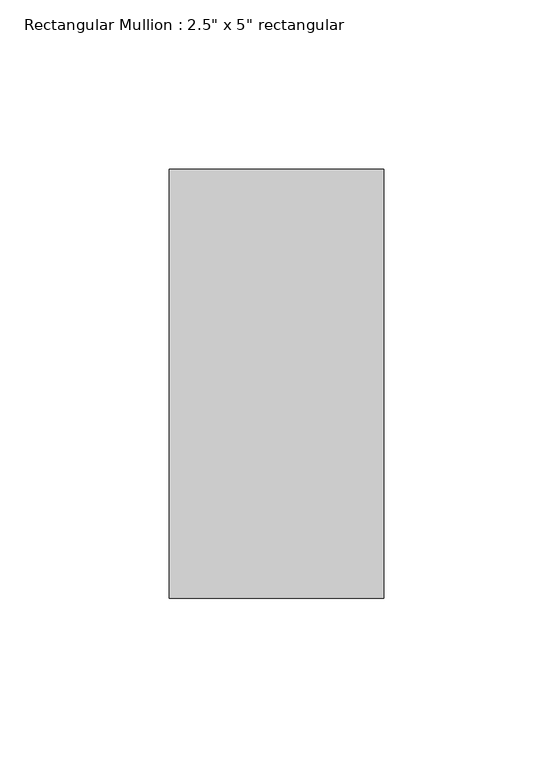
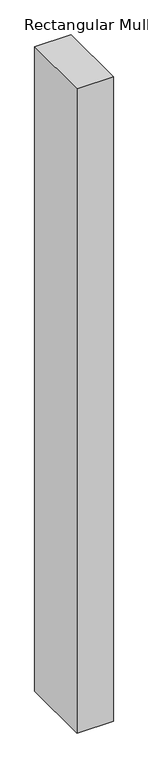
"""IFC4 building model written with IfcOpenShell, lengths in millimetres: member geometry."""

from ifc_helpers import new_model, si_unit, frame, origin, place, context, project, spatial, polyline, outline, extrude, source, transform, mapped, element, save


def member_6f78921e(model_context):
    return source(origin(), model_context, "Body", "SweptSolid", [
        extrude(outline(polyline([(31.75, 63.5), (31.75, -63.5), (-31.75, -63.5), (-31.75, 63.5), (31.75, 63.5)])), frame((0.0, 0.0, -1185.0293935), z_axis=(0.0, 0.0, 1.0), x_axis=(1.0, 0.0, 0.0)), (0.0, 0.0, 1.0), 1185.0293935),
    ])


if __name__ == "__main__":
    model = new_model("IFC4")
    model_context = context("Model", 3, world=origin())
    ifc_project = project(units=[si_unit("LENGTHUNIT", "METRE", prefix="MILLI")], contexts=[model_context])
    site = spatial("IfcSite", under=ifc_project)
    building = spatial("IfcBuilding", under=site)
    placement = place(None, origin())
    member_shape = member_6f78921e(model_context)
    element("IfcMember", 1, ObjectType="Rectangular Mullion : 2.5\" x 5\" rectangular", at=placement, inside=building, context=model_context, shape_type="MappedRepresentation", body=[
        mapped(member_shape, transform((0.0, 0.0, 0.0), x_axis=(1.0, 0.0, 0.0), y_axis=(0.0, 1.0, 0.0), z_axis=(0.0, 0.0, 1.0))),
    ])
    save(model, "model.ifc")
